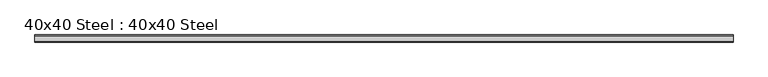
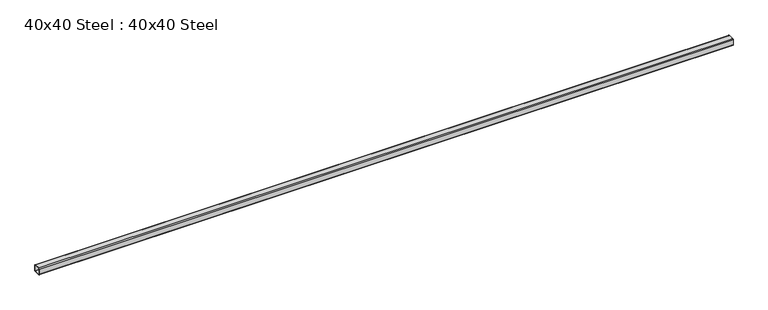
"""IFC4 building model written with IfcOpenShell, lengths in millimetres: proxy geometry, 40x40 Steel : 40x40 Steel."""

from ifc_helpers import new_model, si_unit, point, frame, frame_2d, origin, place, context, project, spatial, polyline, circle_curve, trimmed, segment, composite_curve, outline, extrude, source, transform, mapped, element, save


def proxy_40x40_steel_40x40_steel_ab00f4d7(model_context):
    return source(origin(), model_context, "Body", "SweptSolid", [
        extrude(outline(composite_curve([segment(trimmed(circle_curve(frame_2d((34.1, 4.0)), 4.0), [point((38.1, 4.0))], [point((34.1, 0.0))], False, "CARTESIAN"), True, "CONTINUOUS"), segment(polyline([(34.1, 0.0), (4.0, 0.0)]), True, "CONTINUOUS"), segment(trimmed(circle_curve(frame_2d((4.0, 4.0)), 4.0), [point((4.0, 0.0))], [point((0.0, 4.0))], False, "CARTESIAN"), True, "CONTINUOUS"), segment(polyline([(0.0, 4.0), (0.0, 34.1)]), True, "CONTINUOUS"), segment(trimmed(circle_curve(frame_2d((4.0, 34.1)), 4.0), [point((0.0, 34.1))], [point((4.0, 38.1))], False, "CARTESIAN"), True, "CONTINUOUS"), segment(polyline([(4.0, 38.1), (34.1, 38.1)]), True, "CONTINUOUS"), segment(trimmed(circle_curve(frame_2d((34.1, 34.1)), 4.0), [point((34.1, 38.1))], [point((38.1, 34.1))], False, "CARTESIAN"), True, "CONTINUOUS"), segment(polyline([(38.1, 34.1), (38.1, 4.0)]), True, "CONTINUOUS")], self_intersect=False), holes=[composite_curve([segment(polyline([(35.1, 4.0), (35.1, 34.1)]), True, "CONTINUOUS"), segment(trimmed(circle_curve(frame_2d((34.1, 34.1)), 1.0), [point((35.1, 34.1))], [point((34.1, 35.1))], True, "CARTESIAN"), True, "CONTINUOUS"), segment(polyline([(34.1, 35.1), (4.0, 35.1)]), True, "CONTINUOUS"), segment(trimmed(circle_curve(frame_2d((4.0, 34.1)), 1.0), [point((4.0, 35.1))], [point((3.0, 34.1))], True, "CARTESIAN"), True, "CONTINUOUS"), segment(polyline([(3.0, 34.1), (3.0, 4.0)]), True, "CONTINUOUS"), segment(trimmed(circle_curve(frame_2d((4.0, 4.0)), 1.0), [point((3.0, 4.0))], [point((4.0, 3.0))], True, "CARTESIAN"), True, "CONTINUOUS"), segment(polyline([(4.0, 3.0), (34.1, 3.0)]), True, "CONTINUOUS"), segment(trimmed(circle_curve(frame_2d((34.1, 4.0)), 1.0), [point((34.1, 3.0))], [point((35.1, 4.0))], True, "CARTESIAN"), True, "CONTINUOUS")], self_intersect=False)]), frame((0.0, 0.0, 0.0), z_axis=(1.0, 0.0, 0.0), x_axis=(0.0, 1.0, 0.0)), (0.0, 0.0, 1.0), 3730.0),
    ])


if __name__ == "__main__":
    model = new_model("IFC4")
    model_context = context("Model", 3, world=origin())
    ifc_project = project(units=[si_unit("LENGTHUNIT", "METRE", prefix="MILLI")], contexts=[model_context])
    site = spatial("IfcSite", under=ifc_project)
    building = spatial("IfcBuilding", under=site)
    placement = place(None, origin())
    proxy_40x40_steel_40x40_steel_shape = proxy_40x40_steel_40x40_steel_ab00f4d7(model_context)
    element("IfcBuildingElementProxy", 1, Name="40x40 Steel : 40x40 Steel", ObjectType="40x40 Steel : 40x40 Steel", at=placement, inside=building, context=model_context, shape_type="MappedRepresentation", body=[
        mapped(proxy_40x40_steel_40x40_steel_shape, transform((0.0, 0.0, 0.0), x_axis=(1.0, 0.0, 0.0), y_axis=(0.0, 1.0, 0.0), z_axis=(0.0, 0.0, 1.0))),
    ])
    save(model, "model.ifc")
